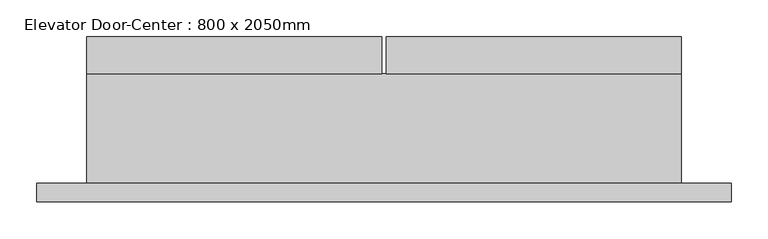
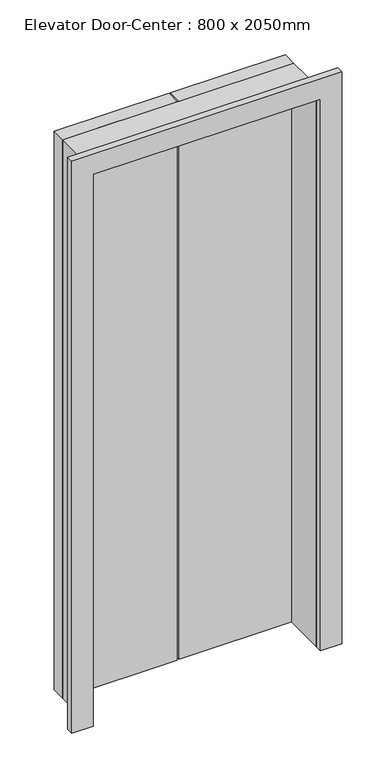
"""IFC4 building model written with IfcOpenShell, lengths in millimetres: proxy geometry, Elevator Door-Center : 800 x 2050mm."""

from ifc_helpers import new_model, si_unit, frame, origin, origin_with_axes, place, context, project, spatial, polyline, outline, extrude, source, transform, mapped, element, save


def elevator_door_center_800_x_2050mm_fa4a843d(model_context):
    return source(origin(), model_context, "Body", "SweptSolid", [
        extrude(outline(polyline([(-102.3106443, 75.0), (-505.4856443, 75.0), (-505.4856443, 125.8), (-102.3106443, 125.8), (-102.3106443, 75.0)])), origin_with_axes(), (0.0, 0.0, 1.0), 2075.4),
        extrude(outline(polyline([(307.2143557, 75.0), (-95.9606443, 75.0), (-95.9606443, 125.8), (307.2143557, 125.8), (307.2143557, 75.0)])), origin_with_axes(), (0.0, 0.0, 1.0), 2075.4),
        extrude(outline(polyline([(0.0, -505.4856443), (0.0, -499.1356443), (2050.0, -499.1356443), (2050.0, 300.8643557), (0.0, 300.8643557), (0.0, 307.2143557), (2075.4, 307.2143557), (2075.4, -505.4856443), (0.0, -505.4856443)])), frame((0.0, -75.0, 0.0), z_axis=(0.0, 1.0, 0.0), x_axis=(0.0, 0.0, 1.0)), (0.0, 0.0, 1.0), 150.0),
        extrude(outline(polyline([(0.0, -574.1450193), (0.0, -499.1356443), (2050.0, -499.1356443), (2050.0, 300.8643557), (0.0, 300.8643557), (0.0, 375.8737307), (2125.009375, 375.8737307), (2125.009375, -574.1450193), (0.0, -574.1450193)])), frame((0.0, -100.003125, 0.0), z_axis=(0.0, 1.0, 0.0), x_axis=(0.0, 0.0, 1.0)), (0.0, 0.0, 1.0), 25.003125),
    ])


if __name__ == "__main__":
    model = new_model("IFC4")
    model_context = context("Model", 3, world=origin())
    ifc_project = project(units=[si_unit("LENGTHUNIT", "METRE", prefix="MILLI")], contexts=[model_context])
    site = spatial("IfcSite", under=ifc_project)
    building = spatial("IfcBuilding", under=site)
    placement = place(None, origin())
    elevator_door_center_800_x_2050mm_shape = elevator_door_center_800_x_2050mm_fa4a843d(model_context)
    element("IfcBuildingElementProxy", 1, Name="Elevator Door-Center : 800 x 2050mm", ObjectType="Elevator Door-Center : 800 x 2050mm", at=placement, inside=building, context=model_context, shape_type="MappedRepresentation", body=[
        mapped(elevator_door_center_800_x_2050mm_shape, transform((0.0, 0.0, 0.0), x_axis=(1.0, 0.0, 0.0), y_axis=(0.0, 1.0, 0.0), z_axis=(0.0, 0.0, 1.0))),
    ])
    save(model, "model.ifc")
